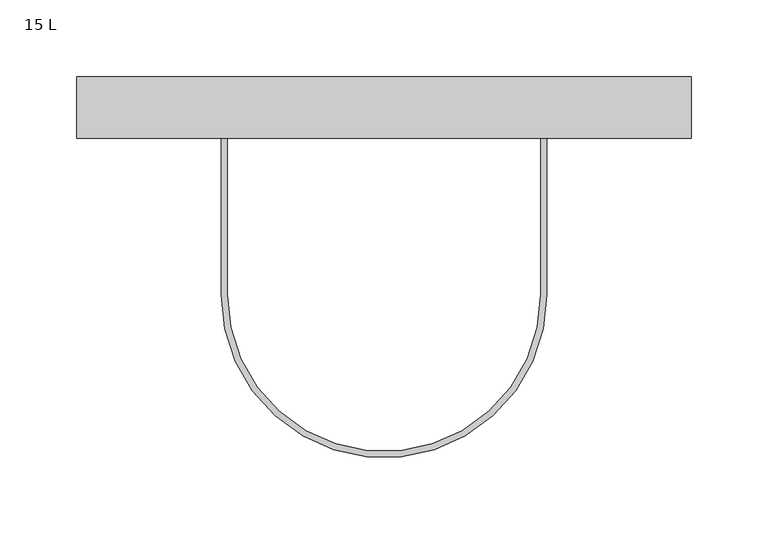
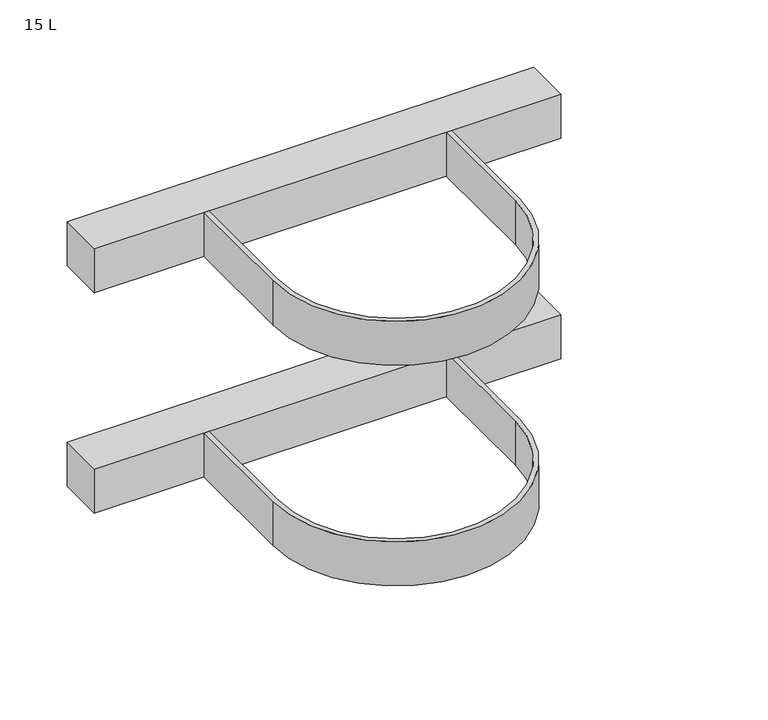
"""IFC4 building model written with IfcOpenShell, lengths in millimetres: proxy geometry, 15 L."""

from ifc_helpers import new_model, si_unit, point, frame, origin, origin_2d, place, context, project, spatial, polyline, circle_curve, trimmed, segment, composite_curve, outline, extrude, source, transform, mapped, element, save


def proxy_15_l_0f798fac(model_context):
    return source(origin(), model_context, "Body", "SweptSolid", [
        extrude(outline(polyline([(200.0, 102.0), (-200.0, 102.0), (-200.0, 142.0), (200.0, 142.0), (200.0, 102.0)])), frame((0.0, 0.0, -20.0), z_axis=(0.0, 0.0, 1.0), x_axis=(1.0, 0.0, 0.0)), (0.0, 0.0, 1.0), 40.0),
        extrude(outline(composite_curve([segment(polyline([(-102.0, 102.0), (-102.0, 0.0)]), True, "CONTINUOUS"), segment(trimmed(circle_curve(origin_2d(), 102.0), [point((-102.0, 0.0))], [point((102.0, 0.0))], True, "CARTESIAN"), True, "CONTINUOUS"), segment(polyline([(102.0, 0.0), (102.0, 102.0), (106.0, 102.0), (106.0, 0.0)]), True, "CONTINUOUS"), segment(trimmed(circle_curve(origin_2d(), 106.0), [point((106.0, 0.0))], [point((-106.0, 0.0))], False, "CARTESIAN"), True, "CONTINUOUS"), segment(polyline([(-106.0, 0.0), (-106.0, 102.0), (-102.0, 102.0)]), True, "CONTINUOUS")], self_intersect=False)), frame((0.0, 0.0, -20.0), z_axis=(0.0, 0.0, 1.0), x_axis=(1.0, 0.0, 0.0)), (0.0, 0.0, 1.0), 40.0),
        extrude(outline(polyline([(200.0, 102.0), (-200.0, 102.0), (-200.0, 142.0), (200.0, 142.0), (200.0, 102.0)])), frame((0.0, 0.0, 180.0), z_axis=(0.0, 0.0, 1.0), x_axis=(1.0, 0.0, 0.0)), (0.0, 0.0, 1.0), 40.0),
        extrude(outline(composite_curve([segment(polyline([(-102.0, 102.0), (-102.0, 0.0)]), True, "CONTINUOUS"), segment(trimmed(circle_curve(origin_2d(), 102.0), [point((-102.0, 0.0))], [point((102.0, 0.0))], True, "CARTESIAN"), True, "CONTINUOUS"), segment(polyline([(102.0, 0.0), (102.0, 102.0), (106.0, 102.0), (106.0, 0.0)]), True, "CONTINUOUS"), segment(trimmed(circle_curve(origin_2d(), 106.0), [point((106.0, 0.0))], [point((-106.0, 0.0))], False, "CARTESIAN"), True, "CONTINUOUS"), segment(polyline([(-106.0, 0.0), (-106.0, 102.0), (-102.0, 102.0)]), True, "CONTINUOUS")], self_intersect=False)), frame((0.0, 0.0, 180.0), z_axis=(0.0, 0.0, 1.0), x_axis=(1.0, 0.0, 0.0)), (0.0, 0.0, 1.0), 40.0),
    ])


if __name__ == "__main__":
    model = new_model("IFC4")
    model_context = context("Model", 3, world=origin())
    ifc_project = project(units=[si_unit("LENGTHUNIT", "METRE", prefix="MILLI")], contexts=[model_context])
    site = spatial("IfcSite", under=ifc_project)
    building = spatial("IfcBuilding", under=site)
    placement = place(None, origin())
    proxy_15_l_shape = proxy_15_l_0f798fac(model_context)
    element("IfcBuildingElementProxy", 1, Name="15 L", ObjectType="15 L", at=placement, inside=building, context=model_context, shape_type="MappedRepresentation", body=[
        mapped(proxy_15_l_shape, transform((0.0, 0.0, 0.0), x_axis=(1.0, 0.0, 0.0), y_axis=(0.0, 1.0, 0.0), z_axis=(0.0, 0.0, 1.0))),
    ])
    save(model, "model.ifc")
